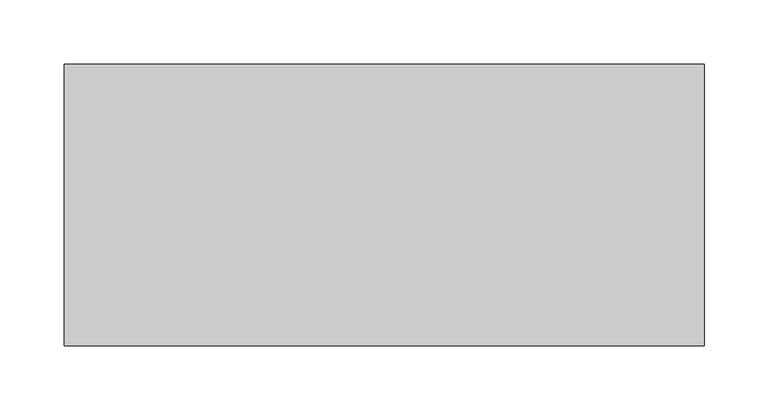
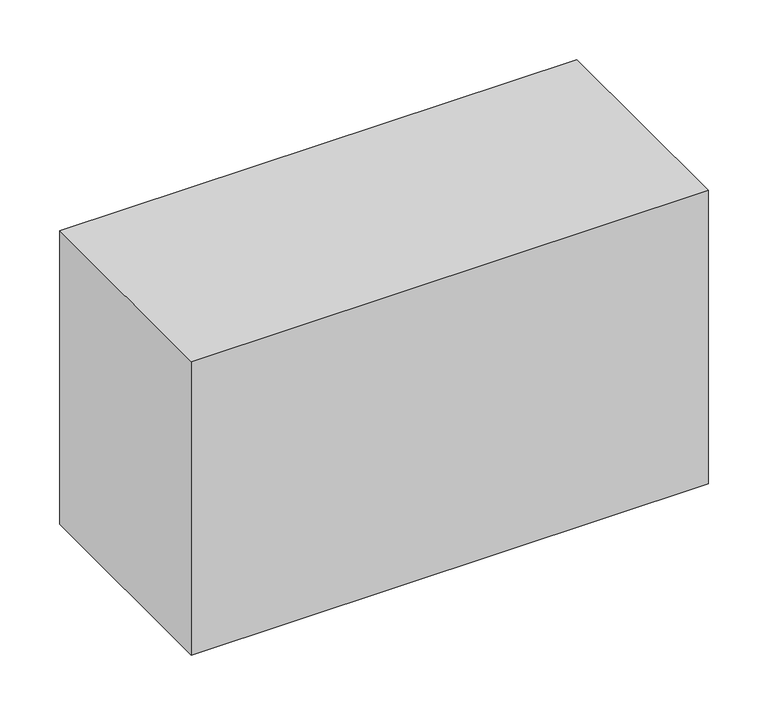
"""IFC4 building model written with IfcOpenShell, lengths in millimetres: proxy geometry."""

from ifc_helpers import new_model, si_unit, origin, origin_with_axes, place, context, project, spatial, polyline, outline, extrude, source, transform, mapped, element, save


def specialty_equipment_d6a13f22(model_context):
    return source(origin(), model_context, "Body", "SweptSolid", [
        extrude(outline(polyline([(250.0, 110.0), (250.0, -110.0), (-250.0, -110.0), (-250.0, 110.0), (250.0, 110.0)])), origin_with_axes(), (0.0, 0.0, 1.0), 300.0),
    ])


if __name__ == "__main__":
    model = new_model("IFC4")
    model_context = context("Model", 3, world=origin())
    ifc_project = project(units=[si_unit("LENGTHUNIT", "METRE", prefix="MILLI")], contexts=[model_context])
    site = spatial("IfcSite", under=ifc_project)
    building = spatial("IfcBuilding", under=site)
    placement = place(None, origin())
    specialty_equipment_shape = specialty_equipment_d6a13f22(model_context)
    element("IfcBuildingElementProxy", 1, Name="Specialty Equipment", at=placement, inside=building, context=model_context, shape_type="MappedRepresentation", body=[
        mapped(specialty_equipment_shape, transform((0.0, 0.0, 0.0), x_axis=(1.0, 0.0, 0.0), y_axis=(0.0, 1.0, 0.0), z_axis=(0.0, 0.0, 1.0))),
    ])
    save(model, "model.ifc")
